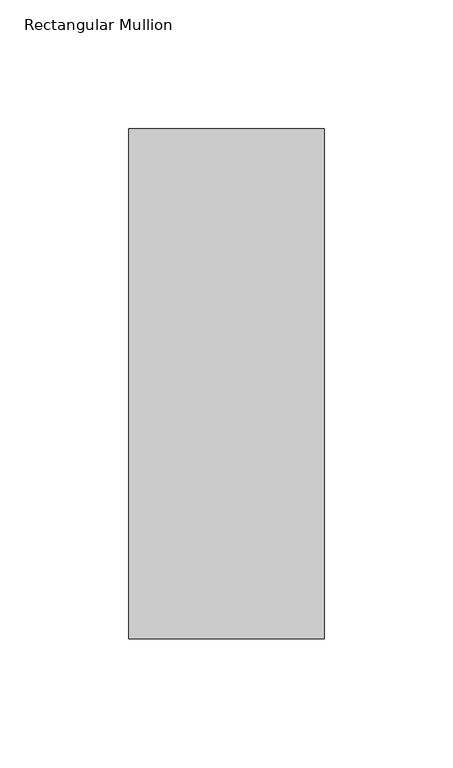
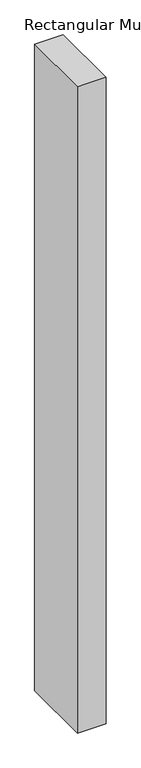
"""IFC4 building model written with IfcOpenShell, lengths in millimetres: member geometry, Rectangular Mullion."""

from ifc_helpers import new_model, si_unit, frame, origin, place, context, project, spatial, polyline, outline, extrude, source, transform, mapped, element, save


def rectangular_mullion_2870f6a0(model_context):
    return source(origin(), model_context, "Body", "SweptSolid", [
        extrude(outline(polyline([(38.1, -156.36875), (-38.1, -156.36875), (-38.1, 42.06875), (38.1, 42.06875), (38.1, -156.36875)])), frame((0.0, 0.0, -1828.8), z_axis=(0.0, 0.0, 1.0), x_axis=(1.0, 0.0, 0.0)), (0.0, 0.0, 1.0), 1828.8),
    ])


if __name__ == "__main__":
    model = new_model("IFC4")
    model_context = context("Model", 3, world=origin())
    ifc_project = project(units=[si_unit("LENGTHUNIT", "METRE", prefix="MILLI")], contexts=[model_context])
    site = spatial("IfcSite", under=ifc_project)
    building = spatial("IfcBuilding", under=site)
    placement = place(None, origin())
    rectangular_mullion_shape = rectangular_mullion_2870f6a0(model_context)
    element("IfcMember", 1, ObjectType="Rectangular Mullion", at=placement, inside=building, context=model_context, shape_type="MappedRepresentation", body=[
        mapped(rectangular_mullion_shape, transform((0.0, 0.0, 0.0), x_axis=(1.0, 0.0, 0.0), y_axis=(0.0, 1.0, 0.0), z_axis=(0.0, 0.0, 1.0))),
    ])
    save(model, "model.ifc")
